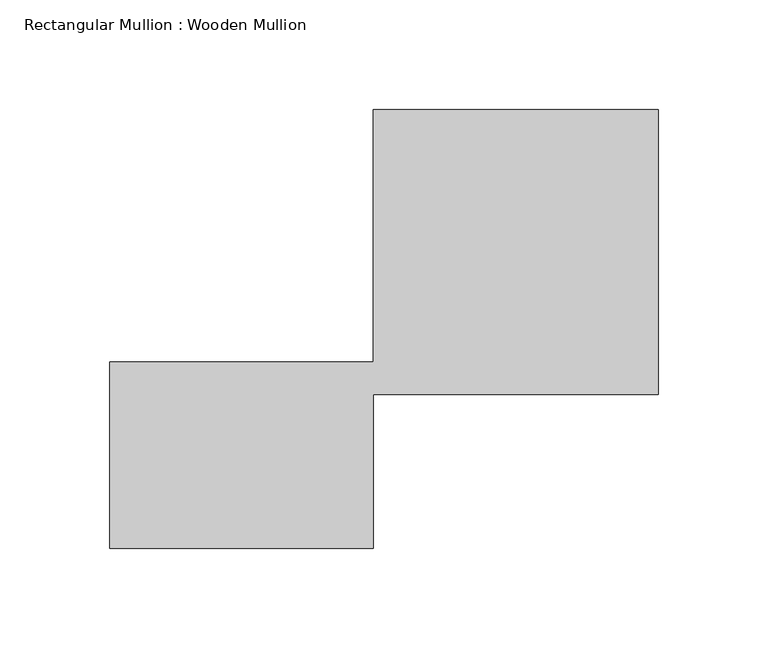
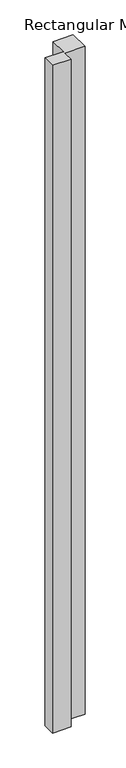
"""IFC4 building model written with IfcOpenShell, lengths in millimetres: member geometry, Rectangular Mullion : Wooden Mullion."""

from ifc_helpers import new_model, si_unit, frame, origin, place, context, project, spatial, polyline, outline, extrude, source, transform, mapped, element, save


def rectangular_mullion_wooden_mullion_161a73be(model_context):
    return source(origin(), model_context, "Body", "SweptSolid", [
        extrude(outline(polyline([(74.8100006, -26.0137344), (-45.1899994, -26.0137344), (-45.1899994, 58.9862656), (74.8100006, 58.9862656), (74.8100006, 173.9862656), (204.8100006, 173.9862656), (204.8100006, 43.9862656), (74.8100006, 43.9862656), (74.8100006, -26.0137344)])), frame((0.0, 0.0, -4578.8918622), z_axis=(0.0, 0.0, 1.0), x_axis=(1.0, 0.0, 0.0)), (0.0, 0.0, 1.0), 4578.8918622),
    ])


if __name__ == "__main__":
    model = new_model("IFC4")
    model_context = context("Model", 3, world=origin())
    ifc_project = project(units=[si_unit("LENGTHUNIT", "METRE", prefix="MILLI")], contexts=[model_context])
    site = spatial("IfcSite", under=ifc_project)
    building = spatial("IfcBuilding", under=site)
    placement = place(None, origin())
    rectangular_mullion_wooden_mullion_shape = rectangular_mullion_wooden_mullion_161a73be(model_context)
    element("IfcMember", 1, ObjectType="Rectangular Mullion : Wooden Mullion", at=placement, inside=building, context=model_context, shape_type="MappedRepresentation", body=[
        mapped(rectangular_mullion_wooden_mullion_shape, transform((0.0, 0.0, 0.0), x_axis=(1.0, 0.0, 0.0), y_axis=(0.0, 1.0, 0.0), z_axis=(0.0, 0.0, 1.0))),
    ])
    save(model, "model.ifc")
